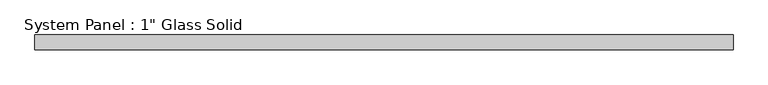
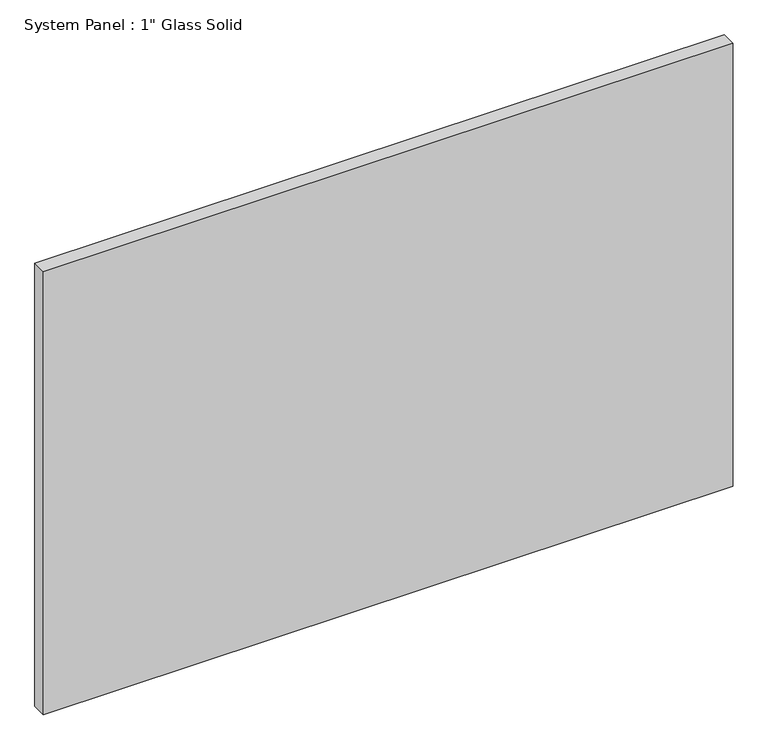
"""IFC4 building model written with IfcOpenShell, lengths in millimetres: plate geometry."""

from ifc_helpers import new_model, si_unit, origin, origin_with_axes, place, context, project, spatial, polyline, outline, extrude, source, transform, mapped, element, save


def plate_bf6adf7e(model_context):
    return source(origin(), model_context, "Body", "SweptSolid", [
        extrude(outline(polyline([(593.725, -12.7), (-593.725, -12.7), (-593.725, 12.7), (593.725, 12.7), (593.725, -12.7)])), origin_with_axes(), (0.0, 0.0, 1.0), 806.45),
    ])


if __name__ == "__main__":
    model = new_model("IFC4")
    model_context = context("Model", 3, world=origin())
    ifc_project = project(units=[si_unit("LENGTHUNIT", "METRE", prefix="MILLI")], contexts=[model_context])
    site = spatial("IfcSite", under=ifc_project)
    building = spatial("IfcBuilding", under=site)
    placement = place(None, origin())
    plate_shape = plate_bf6adf7e(model_context)
    element("IfcPlate", 1, ObjectType="System Panel : 1\" Glass Solid", at=placement, inside=building, context=model_context, shape_type="MappedRepresentation", body=[
        mapped(plate_shape, transform((0.0, 0.0, 0.0), x_axis=(1.0, 0.0, 0.0), y_axis=(0.0, 1.0, 0.0), z_axis=(0.0, 0.0, 1.0))),
    ])
    save(model, "model.ifc")
